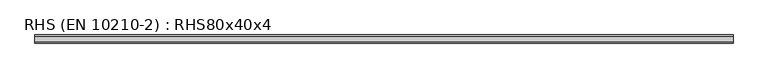
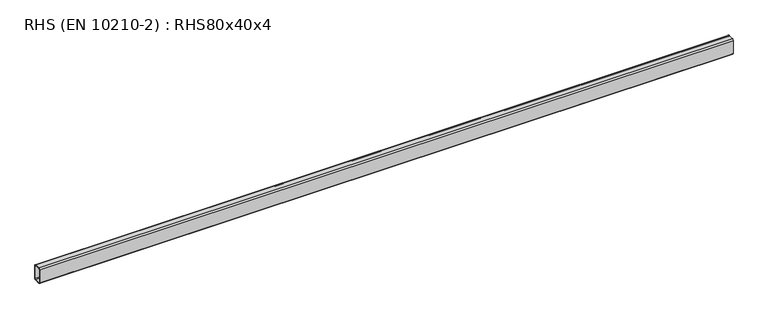
"""IFC4 building model written with IfcOpenShell, lengths in millimetres: beam geometry, RHS (EN 10210-2) : RHS80x40x4."""

from ifc_helpers import new_model, si_unit, point, frame, frame_2d, origin, place, context, project, spatial, polyline, circle_curve, trimmed, segment, composite_curve, outline, extrude, source, transform, mapped, element, save


def rhs_en_10210_2_rhs80x40x4_d2016c8d(model_context):
    return source(origin(), model_context, "Body", "SweptSolid", [
        extrude(outline(composite_curve([segment(polyline([(20.0, 34.0), (20.0, -34.0)]), True, "CONTINUOUS"), segment(trimmed(circle_curve(frame_2d((14.0, -34.0)), 6.0), [point((20.0, -34.0))], [point((14.0, -40.0))], False, "CARTESIAN"), True, "CONTINUOUS"), segment(polyline([(14.0, -40.0), (-14.0, -40.0)]), True, "CONTINUOUS"), segment(trimmed(circle_curve(frame_2d((-14.0, -34.0)), 6.0), [point((-14.0, -40.0))], [point((-20.0, -34.0))], False, "CARTESIAN"), True, "CONTINUOUS"), segment(polyline([(-20.0, -34.0), (-20.0, 34.0)]), True, "CONTINUOUS"), segment(trimmed(circle_curve(frame_2d((-14.0, 34.0)), 6.0), [point((-20.0, 34.0))], [point((-14.0, 40.0))], False, "CARTESIAN"), True, "CONTINUOUS"), segment(polyline([(-14.0, 40.0), (14.0, 40.0)]), True, "CONTINUOUS"), segment(trimmed(circle_curve(frame_2d((14.0, 34.0)), 6.0), [point((14.0, 40.0))], [point((20.0, 34.0))], False, "CARTESIAN"), True, "CONTINUOUS")], self_intersect=False), holes=[composite_curve([segment(trimmed(circle_curve(frame_2d((-12.0, 32.0)), 4.0), [point((-12.0, 36.0))], [point((-16.0, 32.0))], True, "CARTESIAN"), True, "CONTINUOUS"), segment(polyline([(-16.0, 32.0), (-16.0, -32.0)]), True, "CONTINUOUS"), segment(trimmed(circle_curve(frame_2d((-12.0, -32.0)), 4.0), [point((-16.0, -32.0))], [point((-12.0, -36.0))], True, "CARTESIAN"), True, "CONTINUOUS"), segment(polyline([(-12.0, -36.0), (12.0, -36.0)]), True, "CONTINUOUS"), segment(trimmed(circle_curve(frame_2d((12.0, -32.0)), 4.0), [point((12.0, -36.0))], [point((16.0, -32.0))], True, "CARTESIAN"), True, "CONTINUOUS"), segment(polyline([(16.0, -32.0), (16.0, 32.0)]), True, "CONTINUOUS"), segment(trimmed(circle_curve(frame_2d((12.0, 32.0)), 4.0), [point((16.0, 32.0))], [point((12.0, 36.0))], True, "CARTESIAN"), True, "CONTINUOUS"), segment(polyline([(12.0, 36.0), (-12.0, 36.0)]), True, "CONTINUOUS")], self_intersect=False)]), frame((-1408.35, 0.0, 0.0), z_axis=(1.0, 0.0, 0.0), x_axis=(0.0, 1.0, 0.0)), (0.0, 0.0, 1.0), 3447.8),
    ])


if __name__ == "__main__":
    model = new_model("IFC4")
    model_context = context("Model", 3, world=origin())
    ifc_project = project(units=[si_unit("LENGTHUNIT", "METRE", prefix="MILLI")], contexts=[model_context])
    site = spatial("IfcSite", under=ifc_project)
    building = spatial("IfcBuilding", under=site)
    placement = place(None, origin())
    rhs_en_10210_2_rhs80x40x4_shape = rhs_en_10210_2_rhs80x40x4_d2016c8d(model_context)
    element("IfcBeam", 1, ObjectType="RHS (EN 10210-2) : RHS80x40x4", at=placement, inside=building, context=model_context, shape_type="MappedRepresentation", body=[
        mapped(rhs_en_10210_2_rhs80x40x4_shape, transform((0.0, 0.0, 0.0), x_axis=(1.0, 0.0, 0.0), y_axis=(0.0, 1.0, 0.0), z_axis=(0.0, 0.0, 1.0))),
    ])
    save(model, "model.ifc")
